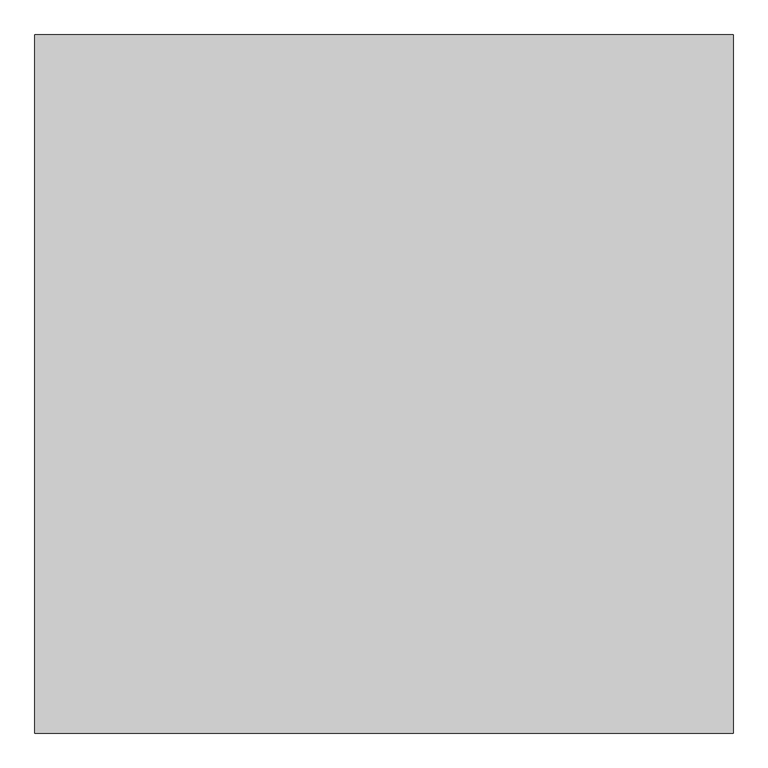
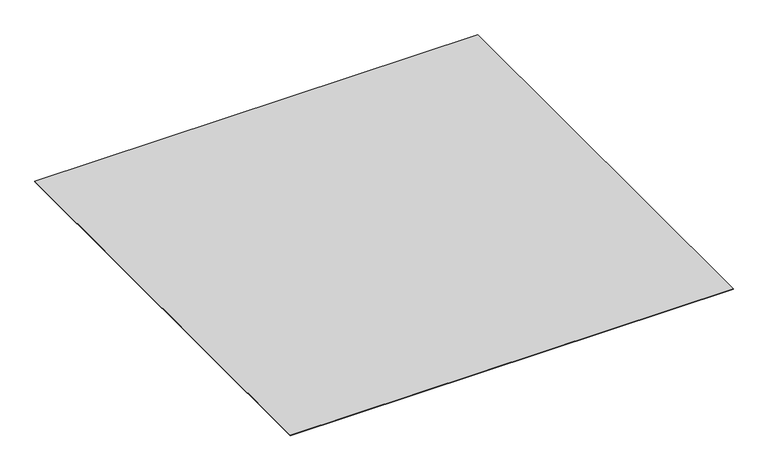
"""IFC4 building model written with IfcOpenShell, lengths in millimetres: proxy geometry."""

from ifc_helpers import new_model, si_unit, origin, origin_with_axes, place, context, project, spatial, polyline, outline, extrude, source, transform, mapped, element, save


def generic_models_6183a646(model_context):
    return source(origin(), model_context, "Body", "SweptSolid", [
        extrude(outline(polyline([(-16196.9237868, -26587.355679), (-16196.9237868, -27587.355679), (-17196.9237868, -27587.355679), (-17196.9237868, -26587.355679), (-16196.9237868, -26587.355679)])), origin_with_axes(), (0.0, 0.0, 1.0), 1.2),
    ])


if __name__ == "__main__":
    model = new_model("IFC4")
    model_context = context("Model", 3, world=origin())
    ifc_project = project(units=[si_unit("LENGTHUNIT", "METRE", prefix="MILLI")], contexts=[model_context])
    site = spatial("IfcSite", under=ifc_project)
    building = spatial("IfcBuilding", under=site)
    placement = place(None, origin())
    generic_models_shape = generic_models_6183a646(model_context)
    element("IfcBuildingElementProxy", 1, Name="Generic Models", at=placement, inside=building, context=model_context, shape_type="MappedRepresentation", body=[
        mapped(generic_models_shape, transform((0.0, 0.0, 0.0), x_axis=(1.0, 0.0, 0.0), y_axis=(0.0, 1.0, 0.0), z_axis=(0.0, 0.0, 1.0))),
    ])
    save(model, "model.ifc")
